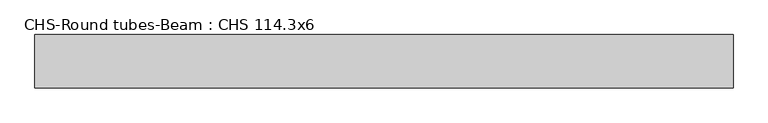
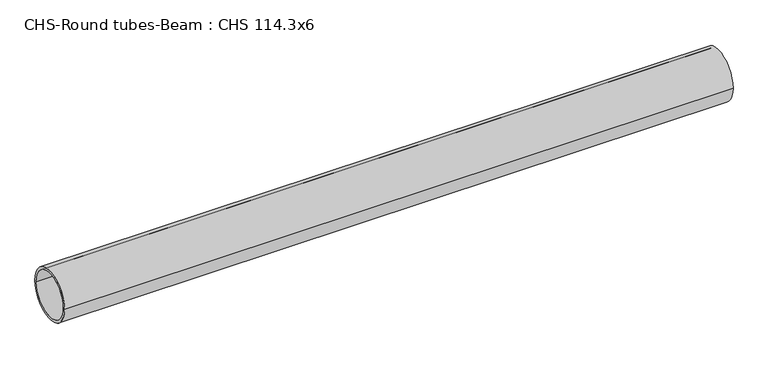
"""IFC4 building model written with IfcOpenShell, lengths in millimetres: beam geometry, CHS-Round tubes-Beam : CHS 114.3x6."""

from ifc_helpers import new_model, si_unit, point, frame, origin, origin_2d, place, context, project, spatial, circle_curve, trimmed, segment, composite_curve, outline, extrude, source, transform, mapped, element, save


def chs_round_tubes_beam_chs_114_3x6_e20dc724(model_context):
    return source(origin(), model_context, "Body", "SweptSolid", [
        extrude(outline(composite_curve([segment(trimmed(circle_curve(origin_2d(), 57.15), [point((57.15, 0.0))], [point((-57.15, 0.0))], False, "CARTESIAN"), True, "CONTINUOUS"), segment(trimmed(circle_curve(origin_2d(), 57.15), [point((-57.15, 0.0))], [point((57.15, 0.0))], False, "CARTESIAN"), True, "CONTINUOUS")], self_intersect=False), holes=[composite_curve([segment(trimmed(circle_curve(origin_2d(), 51.15), [point((51.15, 0.0))], [point((-51.15, 0.0))], True, "CARTESIAN"), True, "CONTINUOUS"), segment(trimmed(circle_curve(origin_2d(), 51.15), [point((-51.15, 0.0))], [point((51.15, 0.0))], True, "CARTESIAN"), True, "CONTINUOUS")], self_intersect=False)]), frame((-759.0511314, 0.0, 0.0), z_axis=(1.0, 0.0, 0.0), x_axis=(0.0, 1.0, 0.0)), (0.0, 0.0, 1.0), 1492.392837),
    ])


if __name__ == "__main__":
    model = new_model("IFC4")
    model_context = context("Model", 3, world=origin())
    ifc_project = project(units=[si_unit("LENGTHUNIT", "METRE", prefix="MILLI")], contexts=[model_context])
    site = spatial("IfcSite", under=ifc_project)
    building = spatial("IfcBuilding", under=site)
    placement = place(None, origin())
    chs_round_tubes_beam_chs_114_3x6_shape = chs_round_tubes_beam_chs_114_3x6_e20dc724(model_context)
    element("IfcBeam", 1, ObjectType="CHS-Round tubes-Beam : CHS 114.3x6", at=placement, inside=building, context=model_context, shape_type="MappedRepresentation", body=[
        mapped(chs_round_tubes_beam_chs_114_3x6_shape, transform((0.0, 0.0, 0.0), x_axis=(1.0, 0.0, 0.0), y_axis=(0.0, 1.0, 0.0), z_axis=(0.0, 0.0, 1.0))),
    ])
    save(model, "model.ifc")
